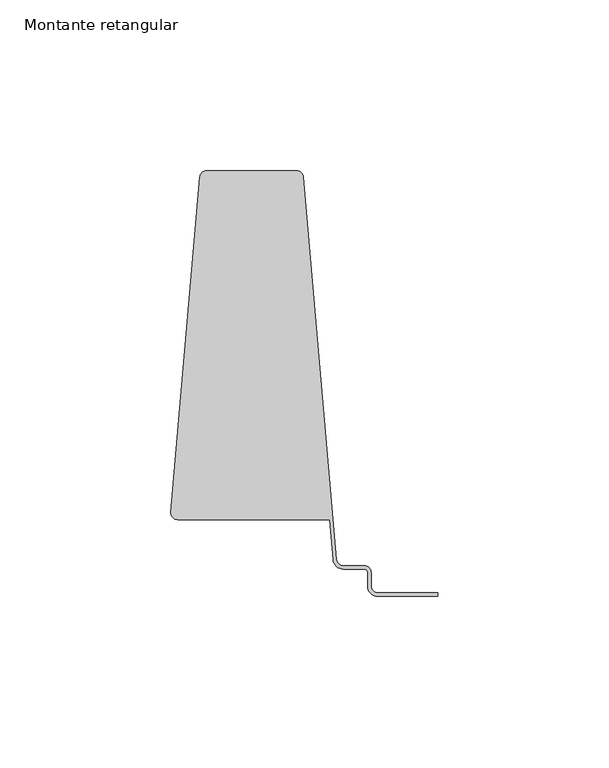
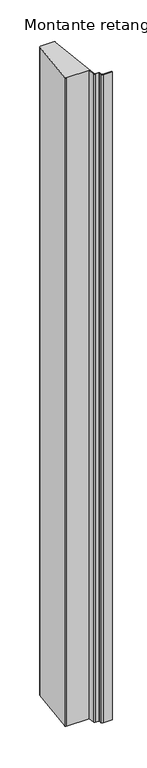
"""IFC4 building model written with IfcOpenShell, lengths in millimetres: member geometry, Montante retangular."""

from ifc_helpers import new_model, si_unit, point, frame, frame_2d, origin, place, context, project, spatial, polyline, circle_curve, trimmed, segment, composite_curve, outline, extrude, source, transform, mapped, element, save


def montante_retangular_49001bbf(model_context):
    return source(origin(), model_context, "Body", "SweptSolid", [
        extrude(outline(composite_curve([segment(polyline([(-19.5, 11.1343872), (-19.5, 7.1343872)]), True, "CONTINUOUS"), segment(trimmed(circle_curve(frame_2d((-17.5, 7.1343872)), 2.0), [point((-19.5, 7.1343872))], [point((-17.5, 5.1343872))], True, "CARTESIAN"), True, "CONTINUOUS"), segment(polyline([(-17.5, 5.1343872), (0.0, 5.1343872), (0.0, 4.1343872), (-17.5, 4.1343872)]), True, "CONTINUOUS"), segment(trimmed(circle_curve(frame_2d((-17.5, 7.1343872)), 3.0), [point((-17.5, 4.1343872))], [point((-20.5, 7.1343872))], False, "CARTESIAN"), True, "CONTINUOUS"), segment(polyline([(-20.5, 7.1343872), (-20.5, 11.1343872)]), True, "CONTINUOUS"), segment(trimmed(circle_curve(frame_2d((-21.5, 11.1343872)), 1.0), [point((-20.5, 11.1343872))], [point((-21.5, 12.1343872))], True, "CARTESIAN"), True, "CONTINUOUS"), segment(polyline([(-21.5, 12.1343872), (-27.6655412, 12.1343872)]), True, "CONTINUOUS"), segment(trimmed(circle_curve(frame_2d((-27.6655412, 15.1343872)), 3.0), [point((-27.6655412, 12.1343872))], [point((-30.6543791, 14.8758372))], False, "CARTESIAN"), True, "CONTINUOUS"), segment(polyline([(-30.6543791, 14.8758372), (-31.6708744, 26.6265227), (-76.1523807, 26.6265227)]), True, "CONTINUOUS"), segment(trimmed(circle_curve(frame_2d((-76.1523807, 28.6265227)), 2.0), [point((-76.1523807, 26.6265227))], [point((-78.1449393, 28.7988894))], False, "CARTESIAN"), True, "CONTINUOUS"), segment(polyline([(-78.1449393, 28.7988894), (-69.6580998, 126.9067538)]), True, "CONTINUOUS"), segment(trimmed(circle_curve(frame_2d((-67.6655412, 126.7343872)), 2.0), [point((-69.6580998, 126.9067538))], [point((-67.6655412, 128.7343872))], False, "CARTESIAN"), True, "CONTINUOUS"), segment(polyline([(-67.6655412, 128.7343872), (-41.3344588, 128.7343872)]), True, "CONTINUOUS"), segment(trimmed(circle_curve(frame_2d((-41.3344588, 126.7343872)), 2.0), [point((-41.3344588, 128.7343872))], [point((-39.3419002, 126.9067538))], False, "CARTESIAN"), True, "CONTINUOUS"), segment(polyline([(-39.3419002, 126.9067538), (-29.6580998, 14.9620205)]), True, "CONTINUOUS"), segment(trimmed(circle_curve(frame_2d((-27.6655412, 15.1343872)), 2.0), [point((-29.6580998, 14.9620205))], [point((-27.6655412, 13.1343872))], True, "CARTESIAN"), True, "CONTINUOUS"), segment(polyline([(-27.6655412, 13.1343872), (-21.5, 13.1343872)]), True, "CONTINUOUS"), segment(trimmed(circle_curve(frame_2d((-21.5, 11.1343872)), 2.0), [point((-21.5, 13.1343872))], [point((-19.5, 11.1343872))], False, "CARTESIAN"), True, "CONTINUOUS")], self_intersect=False)), frame((0.0, 0.0, -1333.3333333), z_axis=(0.0, 0.0, 1.0), x_axis=(1.0, 0.0, 0.0)), (0.0, 0.0, 1.0), 1333.3333333),
    ])


if __name__ == "__main__":
    model = new_model("IFC4")
    model_context = context("Model", 3, world=origin())
    ifc_project = project(units=[si_unit("LENGTHUNIT", "METRE", prefix="MILLI")], contexts=[model_context])
    site = spatial("IfcSite", under=ifc_project)
    building = spatial("IfcBuilding", under=site)
    placement = place(None, origin())
    montante_retangular_shape = montante_retangular_49001bbf(model_context)
    element("IfcMember", 1, ObjectType="Montante retangular", at=placement, inside=building, context=model_context, shape_type="MappedRepresentation", body=[
        mapped(montante_retangular_shape, transform((0.0, 0.0, 0.0), x_axis=(1.0, 0.0, 0.0), y_axis=(0.0, 1.0, 0.0), z_axis=(0.0, 0.0, 1.0))),
    ])
    save(model, "model.ifc")
